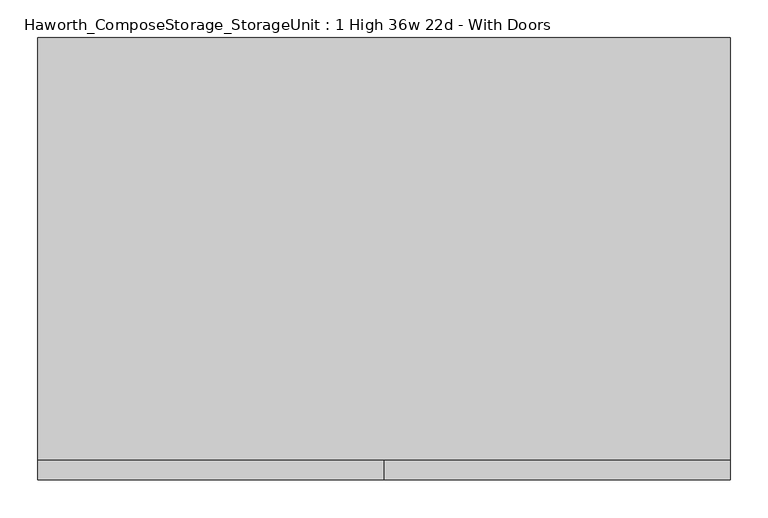
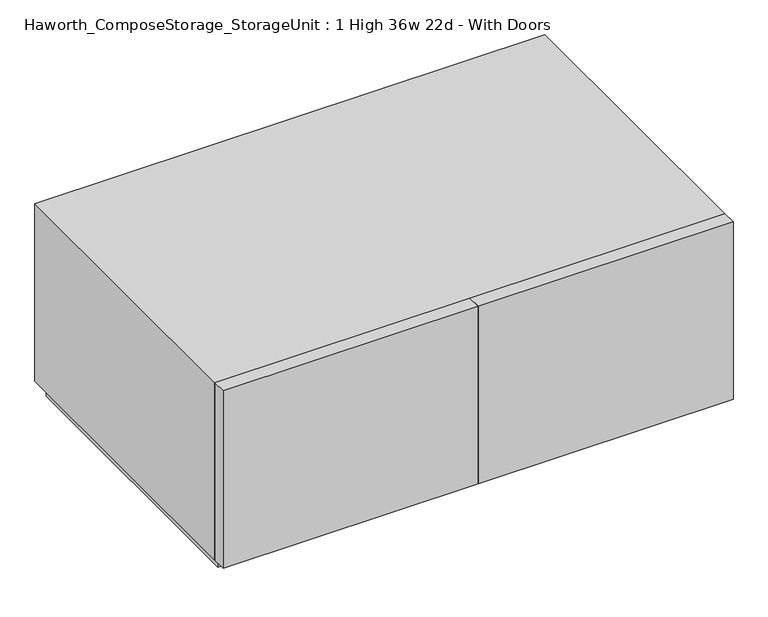
"""IFC4 building model written with IfcOpenShell, lengths in millimetres: furniture geometry, Haworth_ComposeStorage_StorageUnit : 1 High 36w 22d - With Doors."""

from ifc_helpers import new_model, si_unit, frame, origin, origin_with_axes, place, context, project, spatial, polyline, outline, extrude, source, transform, mapped, element, save


def haworth_composestorage_storageunit_1_high_36w_22d_with_doors_05cb34dc(model_context):
    return source(origin(), model_context, "Body", "SweptSolid", [
        extrude(outline(polyline([(0.0138906, -254.0), (0.0138906, -228.6), (457.2138906, -228.6), (457.2138906, -254.0), (0.0138906, -254.0)])), frame((0.0, 0.0, 25.4), z_axis=(0.0, 0.0, 1.0), x_axis=(1.0, 0.0, 0.0)), (0.0, 0.0, 1.0), 336.55),
        extrude(outline(polyline([(0.0138906, -254.0), (-457.1861094, -254.0), (-457.1861094, -228.6), (0.0138906, -228.6), (0.0138906, -254.0)])), frame((0.0, 0.0, 25.4), z_axis=(0.0, 0.0, 1.0), x_axis=(1.0, 0.0, 0.0)), (0.0, 0.0, 1.0), 336.55),
        extrude(outline(polyline([(25.4, -457.1861094), (25.4, 457.2138906), (361.95, 457.2138906), (361.95, -457.1861094), (25.4, -457.1861094)]), holes=[polyline([(44.45, -438.1361094), (342.9, -438.1361094), (342.9, 438.1569453), (44.45, 438.1569453), (44.45, -438.1361094)])]), frame((0.0, -228.6, 0.0), z_axis=(0.0, 1.0, 0.0), x_axis=(0.0, 0.0, 1.0)), (0.0, 0.0, 1.0), 558.8),
        extrude(outline(polyline([(-438.1291641, 295.275), (-438.1291641, 304.8), (438.1569453, 304.8), (438.1569453, 295.275), (-438.1291641, 295.275)])), frame((0.0, 0.0, 44.45), z_axis=(0.0, 0.0, 1.0), x_axis=(1.0, 0.0, 0.0)), (0.0, 0.0, 1.0), 298.45),
        extrude(outline(polyline([(444.5138906, -215.9), (-444.4861094, -215.9), (-444.4861094, 317.5), (444.5138906, 317.5), (444.5138906, -215.9)])), origin_with_axes(), (0.0, 0.0, 1.0), 25.4),
    ])


if __name__ == "__main__":
    model = new_model("IFC4")
    model_context = context("Model", 3, world=origin())
    ifc_project = project(units=[si_unit("LENGTHUNIT", "METRE", prefix="MILLI")], contexts=[model_context])
    site = spatial("IfcSite", under=ifc_project)
    building = spatial("IfcBuilding", under=site)
    placement = place(None, origin())
    haworth_composestorage_storageunit_1_high_36w_22d_with_doors_shape = haworth_composestorage_storageunit_1_high_36w_22d_with_doors_05cb34dc(model_context)
    element("IfcFurniture", 1, ObjectType="Haworth_ComposeStorage_StorageUnit : 1 High 36w 22d - With Doors", at=placement, inside=building, context=model_context, shape_type="MappedRepresentation", body=[
        mapped(haworth_composestorage_storageunit_1_high_36w_22d_with_doors_shape, transform((0.0, 0.0, 0.0), x_axis=(1.0, 0.0, 0.0), y_axis=(0.0, 1.0, 0.0), z_axis=(0.0, 0.0, 1.0))),
    ])
    save(model, "model.ifc")
